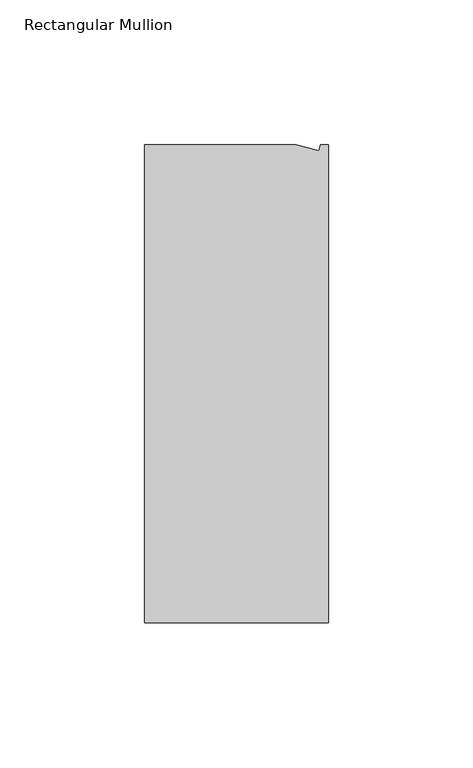
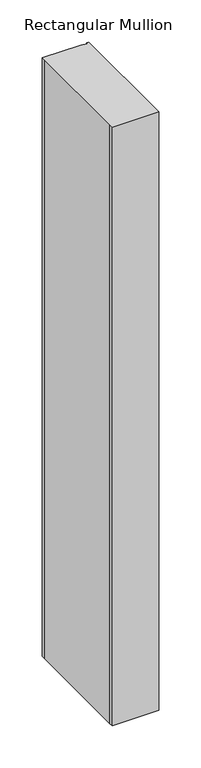
"""IFC4 building model written with IfcOpenShell, lengths in millimetres: member geometry, Rectangular Mullion."""

from ifc_helpers import new_model, si_unit, frame, origin, place, context, project, spatial, polyline, outline, extrude, source, transform, mapped, element, save


def rectangular_mullion_4249a0a4(model_context):
    return source(origin(), model_context, "Body", "SweptSolid", [
        extrude(outline(polyline([(0.0, -132.5561012), (-63.5, -132.5561012), (-63.5, -126.2061012), (-63.5, 26.1938988), (-63.5, 32.5438988), (-11.1125, 32.5438988), (-3.3223696, 30.4565397), (-2.7630634, 32.5438988), (0.0, 32.5438988), (0.0, -132.5561012)])), frame((0.0, 0.0, -863.6), z_axis=(0.0, 0.0, 1.0), x_axis=(1.0, 0.0, 0.0)), (0.0, 0.0, 1.0), 863.6),
    ])


if __name__ == "__main__":
    model = new_model("IFC4")
    model_context = context("Model", 3, world=origin())
    ifc_project = project(units=[si_unit("LENGTHUNIT", "METRE", prefix="MILLI")], contexts=[model_context])
    site = spatial("IfcSite", under=ifc_project)
    building = spatial("IfcBuilding", under=site)
    placement = place(None, origin())
    rectangular_mullion_shape = rectangular_mullion_4249a0a4(model_context)
    element("IfcMember", 1, ObjectType="Rectangular Mullion", at=placement, inside=building, context=model_context, shape_type="MappedRepresentation", body=[
        mapped(rectangular_mullion_shape, transform((0.0, 0.0, 0.0), x_axis=(1.0, 0.0, 0.0), y_axis=(0.0, 1.0, 0.0), z_axis=(0.0, 0.0, 1.0))),
    ])
    save(model, "model.ifc")
